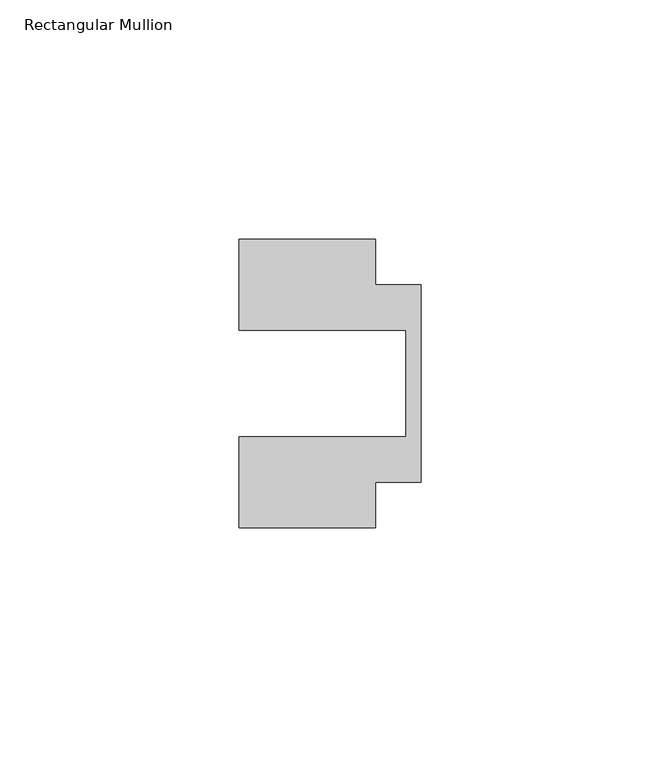
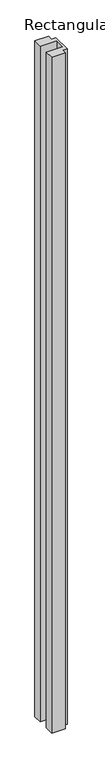
"""IFC4 building model written with IfcOpenShell, lengths in millimetres: member geometry, Rectangular Mullion."""

from ifc_helpers import new_model, si_unit, frame, origin, place, context, project, spatial, polyline, outline, extrude, source, transform, mapped, element, save


def rectangular_mullion_9ce9e25b(model_context):
    return source(origin(), model_context, "Body", "SweptSolid", [
        extrude(outline(polyline([(-38.1, 11.1125), (-38.1, 30.1625), (-9.525, 30.1625), (-9.525, 20.6375), (0.0, 20.6375), (0.0, -20.6375), (-9.525, -20.6375), (-9.525, -30.1625), (-38.1, -30.1625), (-38.1, -11.1125), (-3.175, -11.1125), (-3.175, 11.1125), (-38.1, 11.1125)])), frame((0.0, 0.0, -1498.6), z_axis=(0.0, 0.0, 1.0), x_axis=(1.0, 0.0, 0.0)), (0.0, 0.0, 1.0), 1498.6),
    ])


if __name__ == "__main__":
    model = new_model("IFC4")
    model_context = context("Model", 3, world=origin())
    ifc_project = project(units=[si_unit("LENGTHUNIT", "METRE", prefix="MILLI")], contexts=[model_context])
    site = spatial("IfcSite", under=ifc_project)
    building = spatial("IfcBuilding", under=site)
    placement = place(None, origin())
    rectangular_mullion_shape = rectangular_mullion_9ce9e25b(model_context)
    element("IfcMember", 1, ObjectType="Rectangular Mullion", at=placement, inside=building, context=model_context, shape_type="MappedRepresentation", body=[
        mapped(rectangular_mullion_shape, transform((0.0, 0.0, 0.0), x_axis=(1.0, 0.0, 0.0), y_axis=(0.0, 1.0, 0.0), z_axis=(0.0, 0.0, 1.0))),
    ])
    save(model, "model.ifc")
